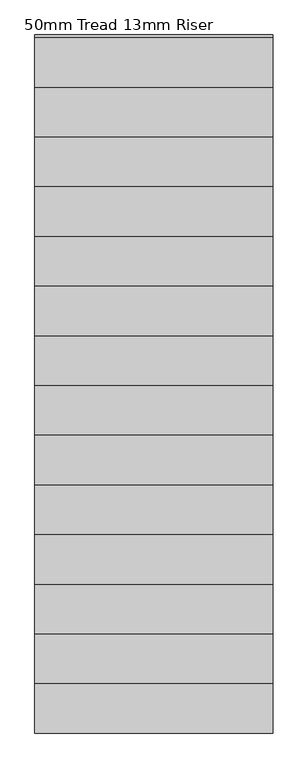
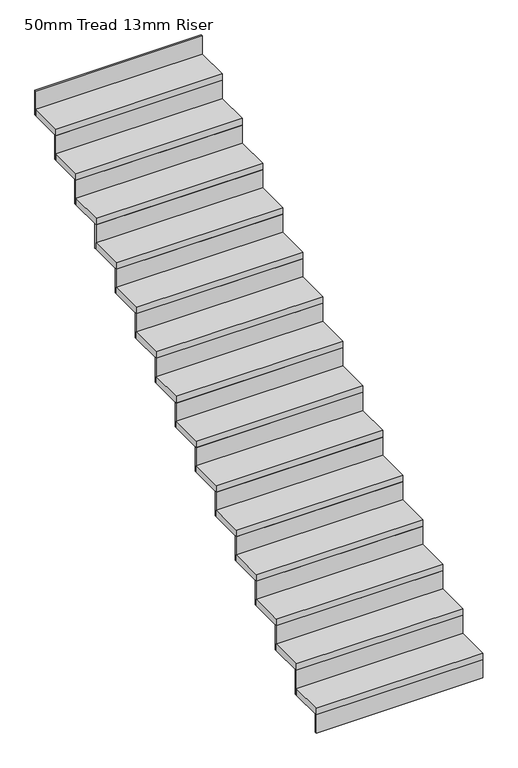
"""IFC4 building model written with IfcOpenShell, lengths in millimetres: stair flight geometry, 50mm Tread 13mm Riser."""

import ifcopenshell
import ifcopenshell.guid

model = None  # the IFC model being written
_history = None  # IfcOwnerHistory: only IFC2X3 demands one
_inside = {}  # id of a spatial element -> (the spatial element, [elements in it])
_under = {}  # id of a project, library or spatial element -> (it, [spatial elements below it])
_declared = {}  # id of a project -> (the project, [libraries it declares])
_typed = {}  # id of a type object -> (the type object, [elements of that type])
_made_of = {}  # id of a material, layer set ... -> (it, [elements and type objects made of it])


def new_model(schema):
    """Start an empty IFC model of exactly this schema.

    Asked for "IFC4X3", IfcOpenShell would pick the latest addendum, in which some entities
    have other attributes; the version numbers below select the first issue.
    IFC2X3 requires an IfcOwnerHistory on every rooted entity: one is made here for all.
    """
    global model, _history
    if schema == "IFC4X3":
        model = ifcopenshell.file(schema_version=(4, 3, 0, 0))
    else:
        model = ifcopenshell.file(schema=schema)
    _inside.clear()
    _under.clear()
    _declared.clear()
    _typed.clear()
    _made_of.clear()
    _history = None
    if model.schema == "IFC2X3":
        org = make("IfcOrganization", Name="unknown")
        user = make(
            "IfcPersonAndOrganization",
            ThePerson=make("IfcPerson", FamilyName="unknown"),
            TheOrganization=org,
        )
        app = make(
            "IfcApplication",
            ApplicationDeveloper=org,
            Version="unknown",
            ApplicationFullName="unknown",
            ApplicationIdentifier="unknown",
        )
        _history = make(
            "IfcOwnerHistory",
            OwningUser=user,
            OwningApplication=app,
            ChangeAction="ADDED",
            CreationDate=0,
        )
    return model


def make(cls, **values):
    """One entity of the class cls with the attributes given. An attribute that is None is left unset."""
    return model.create_entity(
        cls, **{name: value for name, value in values.items() if value is not None}
    )


def rooted(cls, **values):
    """An entity with a GlobalId (a new one), such as an element, a storey or a relation."""
    return make(cls, GlobalId=ifcopenshell.guid.new(), OwnerHistory=_history, **values)


def si_unit(unit_type, name, prefix=None):
    """IfcSIUnit, for example si_unit("LENGTHUNIT", "METRE", prefix="MILLI")."""
    return make("IfcSIUnit", UnitType=unit_type, Prefix=prefix, Name=name)


def assignment(units):
    """IfcUnitAssignment: the units of a project."""
    return None if units is None else make("IfcUnitAssignment", Units=units)


def point(xyz):
    """IfcCartesianPoint."""
    return None if xyz is None else make("IfcCartesianPoint", Coordinates=xyz)


def direction(xyz):
    """IfcDirection."""
    return None if xyz is None else make("IfcDirection", DirectionRatios=xyz)


def frame(location, z_axis=None, x_axis=None):
    """IfcAxis2Placement3D, a coordinate frame: its origin and axes. An axis left out is left unset."""
    return make(
        "IfcAxis2Placement3D",
        Location=point(location),
        Axis=direction(z_axis),
        RefDirection=direction(x_axis),
    )


def origin():
    """The frame at (0, 0, 0) with its axes left unset."""
    return frame((0.0, 0.0, 0.0))


def origin_with_axes():
    """The frame at (0, 0, 0) with the z axis (0, 0, 1) and the x axis (1, 0, 0) written out."""
    return frame((0.0, 0.0, 0.0), z_axis=(0.0, 0.0, 1.0), x_axis=(1.0, 0.0, 0.0))


def place(relative_to, where):
    """IfcLocalPlacement: puts the frame where relative to a parent placement (None: the world)."""
    return make(
        "IfcLocalPlacement", PlacementRelTo=relative_to, RelativePlacement=where
    )


def context(
    kind, dimensions, precision=None, world=None, true_north=None, identifier=None
):
    """IfcGeometricRepresentationContext, for example the 3D "Model" context."""
    return make(
        "IfcGeometricRepresentationContext",
        ContextIdentifier=identifier,
        ContextType=kind,
        CoordinateSpaceDimension=dimensions,
        Precision=precision,
        WorldCoordinateSystem=world,
        TrueNorth=true_north,
    )


def project(units=None, contexts=None):
    """IfcProject with its units and contexts."""
    return rooted(
        "IfcProject",
        Name="project",
        RepresentationContexts=contexts,
        UnitsInContext=assignment(units),
    )


def spatial(cls, under=None, at=None, **own):
    """A site, building, storey or space (cls), placed at a placement, below another one or the project."""
    s = rooted(cls, ObjectPlacement=at, **own)
    if under is not None:
        _under.setdefault(under.id(), (under, []))[1].append(s)
    return s


def polyline(points):
    """IfcPolyline through the points."""
    return make("IfcPolyline", Points=[point(p) for p in points])


def outline(outer, holes=None, kind="AREA"):
    """IfcArbitraryClosedProfileDef: a profile drawn as a closed curve; with holes, ...WithVoids."""
    if holes is None:
        return make("IfcArbitraryClosedProfileDef", ProfileType=kind, OuterCurve=outer)
    return make(
        "IfcArbitraryProfileDefWithVoids",
        ProfileType=kind,
        OuterCurve=outer,
        InnerCurves=holes,
    )


def extrude(swept, where, along, depth):
    """IfcExtrudedAreaSolid: the profile swept, set in the frame where, extruded along a direction by depth."""
    return make(
        "IfcExtrudedAreaSolid",
        SweptArea=swept,
        Position=where,
        ExtrudedDirection=direction(along),
        Depth=depth,
    )


def shape(context_of_items, identifier, shape_type, items):
    """IfcShapeRepresentation: the items that make up one representation, for example the "Body"."""
    return make(
        "IfcShapeRepresentation",
        ContextOfItems=context_of_items,
        RepresentationIdentifier=identifier,
        RepresentationType=shape_type,
        Items=items,
    )


def source(mapping_origin, context_of_items, identifier, shape_type, items):
    """IfcRepresentationMap: a shape defined once, which mapped items show again and again."""
    return make(
        "IfcRepresentationMap",
        MappingOrigin=mapping_origin,
        MappedRepresentation=shape(context_of_items, identifier, shape_type, items),
    )


def transform(
    local_origin,
    x_axis=None,
    y_axis=None,
    z_axis=None,
    scale=None,
    scale2=None,
    scale3=None,
    uniform=True,
):
    """IfcCartesianTransformationOperator3D, or its non-uniform kind. x_axis, y_axis, z_axis: its Axis1, 2, 3."""
    if uniform:
        return make(
            "IfcCartesianTransformationOperator3D",
            Axis1=direction(x_axis),
            Axis2=direction(y_axis),
            LocalOrigin=point(local_origin),
            Scale=scale,
            Axis3=direction(z_axis),
        )
    return make(
        "IfcCartesianTransformationOperator3DnonUniform",
        Axis1=direction(x_axis),
        Axis2=direction(y_axis),
        LocalOrigin=point(local_origin),
        Scale=scale,
        Axis3=direction(z_axis),
        Scale2=scale2,
        Scale3=scale3,
    )


def mapped(mapping_source, mapping_target):
    """IfcMappedItem: shows the shape of a source again, moved by a transform."""
    return make(
        "IfcMappedItem", MappingSource=mapping_source, MappingTarget=mapping_target
    )


def made_of(thing, what):
    """Note that an element or type object is made of a material, layer set ...; save() writes the relation."""
    if what is not None:
        _made_of.setdefault(what.id(), (what, []))[1].append(thing)
    return thing


def element(
    cls,
    number,
    at=None,
    inside=None,
    cuts=None,
    type_object=None,
    material=None,
    context=None,
    identifier="Body",
    shape_type=None,
    held_by="IfcProductDefinitionShape",
    body=None,
    shapes=None,
    **own,
):
    """One element of the class cls, such as IfcWall. Its Tag is "e" and its number.

    at: its placement. inside: the storey or other place that contains it. cuts: it is an
    opening in that element (IfcRelVoidsElement). A single representation is given by context,
    identifier, shape_type and body (its items); several are given by shapes. held_by: the class
    of the entity that holds the representations. save() writes the other relations.
    """
    e = rooted(cls, Tag="e%d" % number, ObjectPlacement=at, **own)
    if body is not None:
        shapes = [shape(context, identifier, shape_type, body)]
    if shapes is not None:
        e.Representation = make(held_by, Representations=shapes)
    if inside is not None:
        _inside.setdefault(inside.id(), (inside, []))[1].append(e)
    if cuts is not None:
        rooted(
            "IfcRelVoidsElement", RelatingBuildingElement=cuts, RelatedOpeningElement=e
        )
    if type_object is not None:
        _typed.setdefault(type_object.id(), (type_object, []))[1].append(e)
    return made_of(e, material)


def aggregate(whole, parts):
    """IfcRelAggregates: a whole, such as a stair, and the parts it consists of."""
    return rooted("IfcRelAggregates", RelatingObject=whole, RelatedObjects=parts)


def save(model, path):
    """Write the relations noted so far, then the file.

    IfcRelAggregates (storeys below a building ...), IfcRelContainedInSpatialStructure (elements
    in a storey), IfcRelDefinesByType, IfcRelAssociatesMaterial and IfcRelDeclares: one each for
    every whole, place, type object, material and project.
    """
    for whole, parts in _under.values():
        aggregate(whole, parts)
    for where, things in _inside.values():
        rooted(
            "IfcRelContainedInSpatialStructure",
            RelatedElements=things,
            RelatingStructure=where,
        )
    for kind, things in _typed.values():
        rooted("IfcRelDefinesByType", RelatedObjects=things, RelatingType=kind)
    for what, things in _made_of.values():
        rooted("IfcRelAssociatesMaterial", RelatedObjects=things, RelatingMaterial=what)
    for by, libraries in _declared.values():
        rooted("IfcRelDeclares", RelatingContext=by, RelatedDefinitions=libraries)
    model.write(path)


def stair_flight_50mm_tread_13mm_riser_bae693a1(model_context):
    return source(origin(), model_context, "Body", "SweptSolid", [
        extrude(outline(polyline([(-21418.8294643, -659.6550922), (-21418.8294643, -672.1550922), (-22618.8294643, -672.1550922), (-22618.8294643, -659.6550922), (-21418.8294643, -659.6550922)])), origin_with_axes(), (0.0, 0.0, 1.0), 137.9310345),
        extrude(outline(polyline([(-22618.8294643, -422.1550922), (-21418.8294643, -422.1550922), (-21418.8294643, -672.1550922), (-22618.8294643, -672.1550922), (-22618.8294643, -422.1550922)])), frame((0.0, 0.0, 137.9310345), z_axis=(0.0, 0.0, 1.0), x_axis=(1.0, 0.0, 0.0)), (0.0, 0.0, 1.0), 50.0),
        extrude(outline(polyline([(-21418.8294643, -409.6550922), (-21418.8294643, -422.1550922), (-22618.8294643, -422.1550922), (-22618.8294643, -409.6550922), (-21418.8294643, -409.6550922)])), frame((0.0, 0.0, 137.9310345), z_axis=(0.0, 0.0, 1.0), x_axis=(1.0, 0.0, 0.0)), (0.0, 0.0, 1.0), 187.9310345),
        extrude(outline(polyline([(-22618.8294643, -172.1550922), (-21418.8294643, -172.1550922), (-21418.8294643, -422.1550922), (-22618.8294643, -422.1550922), (-22618.8294643, -172.1550922)])), frame((0.0, 0.0, 325.862069), z_axis=(0.0, 0.0, 1.0), x_axis=(1.0, 0.0, 0.0)), (0.0, 0.0, 1.0), 50.0),
        extrude(outline(polyline([(-21418.8294643, -159.6550922), (-21418.8294643, -172.1550922), (-22618.8294643, -172.1550922), (-22618.8294643, -159.6550922), (-21418.8294643, -159.6550922)])), frame((0.0, 0.0, 325.862069), z_axis=(0.0, 0.0, 1.0), x_axis=(1.0, 0.0, 0.0)), (0.0, 0.0, 1.0), 187.9310345),
        extrude(outline(polyline([(-22618.8294643, 77.8449078), (-21418.8294643, 77.8449078), (-21418.8294643, -172.1550922), (-22618.8294643, -172.1550922), (-22618.8294643, 77.8449078)])), frame((0.0, 0.0, 513.7931034), z_axis=(0.0, 0.0, 1.0), x_axis=(1.0, 0.0, 0.0)), (0.0, 0.0, 1.0), 50.0),
        extrude(outline(polyline([(-21418.8294643, 90.3449078), (-21418.8294643, 77.8449078), (-22618.8294643, 77.8449078), (-22618.8294643, 90.3449078), (-21418.8294643, 90.3449078)])), frame((0.0, 0.0, 513.7931034), z_axis=(0.0, 0.0, 1.0), x_axis=(1.0, 0.0, 0.0)), (0.0, 0.0, 1.0), 187.9310345),
        extrude(outline(polyline([(-22618.8294643, 327.8449078), (-21418.8294643, 327.8449078), (-21418.8294643, 77.8449078), (-22618.8294643, 77.8449078), (-22618.8294643, 327.8449078)])), frame((0.0, 0.0, 701.7241379), z_axis=(0.0, 0.0, 1.0), x_axis=(1.0, 0.0, 0.0)), (0.0, 0.0, 1.0), 50.0),
        extrude(outline(polyline([(-21418.8294643, 340.3449078), (-21418.8294643, 327.8449078), (-22618.8294643, 327.8449078), (-22618.8294643, 340.3449078), (-21418.8294643, 340.3449078)])), frame((0.0, 0.0, 701.7241379), z_axis=(0.0, 0.0, 1.0), x_axis=(1.0, 0.0, 0.0)), (0.0, 0.0, 1.0), 187.9310345),
        extrude(outline(polyline([(-22618.8294643, 577.8449078), (-21418.8294643, 577.8449078), (-21418.8294643, 327.8449078), (-22618.8294643, 327.8449078), (-22618.8294643, 577.8449078)])), frame((0.0, 0.0, 889.6551724), z_axis=(0.0, 0.0, 1.0), x_axis=(1.0, 0.0, 0.0)), (0.0, 0.0, 1.0), 50.0),
        extrude(outline(polyline([(-21418.8294643, 590.3449078), (-21418.8294643, 577.8449078), (-22618.8294643, 577.8449078), (-22618.8294643, 590.3449078), (-21418.8294643, 590.3449078)])), frame((0.0, 0.0, 889.6551724), z_axis=(0.0, 0.0, 1.0), x_axis=(1.0, 0.0, 0.0)), (0.0, 0.0, 1.0), 187.9310345),
        extrude(outline(polyline([(-22618.8294643, 827.8449078), (-21418.8294643, 827.8449078), (-21418.8294643, 577.8449078), (-22618.8294643, 577.8449078), (-22618.8294643, 827.8449078)])), frame((0.0, 0.0, 1077.5862069), z_axis=(0.0, 0.0, 1.0), x_axis=(1.0, 0.0, 0.0)), (0.0, 0.0, 1.0), 50.0),
        extrude(outline(polyline([(-21418.8294643, 840.3449078), (-21418.8294643, 827.8449078), (-22618.8294643, 827.8449078), (-22618.8294643, 840.3449078), (-21418.8294643, 840.3449078)])), frame((0.0, 0.0, 1077.5862069), z_axis=(0.0, 0.0, 1.0), x_axis=(1.0, 0.0, 0.0)), (0.0, 0.0, 1.0), 187.9310345),
        extrude(outline(polyline([(-22618.8294643, 1077.8449078), (-21418.8294643, 1077.8449078), (-21418.8294643, 827.8449078), (-22618.8294643, 827.8449078), (-22618.8294643, 1077.8449078)])), frame((0.0, 0.0, 1265.5172414), z_axis=(0.0, 0.0, 1.0), x_axis=(1.0, 0.0, 0.0)), (0.0, 0.0, 1.0), 50.0),
        extrude(outline(polyline([(-21418.8294643, 1090.3449078), (-21418.8294643, 1077.8449078), (-22618.8294643, 1077.8449078), (-22618.8294643, 1090.3449078), (-21418.8294643, 1090.3449078)])), frame((0.0, 0.0, 1265.5172414), z_axis=(0.0, 0.0, 1.0), x_axis=(1.0, 0.0, 0.0)), (0.0, 0.0, 1.0), 187.9310345),
        extrude(outline(polyline([(-22618.8294643, 1327.8449078), (-21418.8294643, 1327.8449078), (-21418.8294643, 1077.8449078), (-22618.8294643, 1077.8449078), (-22618.8294643, 1327.8449078)])), frame((0.0, 0.0, 1453.4482759), z_axis=(0.0, 0.0, 1.0), x_axis=(1.0, 0.0, 0.0)), (0.0, 0.0, 1.0), 50.0),
        extrude(outline(polyline([(-21418.8294643, 1340.3449078), (-21418.8294643, 1327.8449078), (-22618.8294643, 1327.8449078), (-22618.8294643, 1340.3449078), (-21418.8294643, 1340.3449078)])), frame((0.0, 0.0, 1453.4482759), z_axis=(0.0, 0.0, 1.0), x_axis=(1.0, 0.0, 0.0)), (0.0, 0.0, 1.0), 187.9310345),
        extrude(outline(polyline([(-22618.8294643, 1577.8449078), (-21418.8294643, 1577.8449078), (-21418.8294643, 1327.8449078), (-22618.8294643, 1327.8449078), (-22618.8294643, 1577.8449078)])), frame((0.0, 0.0, 1641.3793103), z_axis=(0.0, 0.0, 1.0), x_axis=(1.0, 0.0, 0.0)), (0.0, 0.0, 1.0), 50.0),
        extrude(outline(polyline([(-21418.8294643, 1590.3449078), (-21418.8294643, 1577.8449078), (-22618.8294643, 1577.8449078), (-22618.8294643, 1590.3449078), (-21418.8294643, 1590.3449078)])), frame((0.0, 0.0, 1641.3793103), z_axis=(0.0, 0.0, 1.0), x_axis=(1.0, 0.0, 0.0)), (0.0, 0.0, 1.0), 187.9310345),
        extrude(outline(polyline([(-22618.8294643, 1827.8449078), (-21418.8294643, 1827.8449078), (-21418.8294643, 1577.8449078), (-22618.8294643, 1577.8449078), (-22618.8294643, 1827.8449078)])), frame((0.0, 0.0, 1829.3103448), z_axis=(0.0, 0.0, 1.0), x_axis=(1.0, 0.0, 0.0)), (0.0, 0.0, 1.0), 50.0),
        extrude(outline(polyline([(-21418.8294643, 1840.3449078), (-21418.8294643, 1827.8449078), (-22618.8294643, 1827.8449078), (-22618.8294643, 1840.3449078), (-21418.8294643, 1840.3449078)])), frame((0.0, 0.0, 1829.3103448), z_axis=(0.0, 0.0, 1.0), x_axis=(1.0, 0.0, 0.0)), (0.0, 0.0, 1.0), 187.9310345),
        extrude(outline(polyline([(-22618.8294643, 2077.8449078), (-21418.8294643, 2077.8449078), (-21418.8294643, 1827.8449078), (-22618.8294643, 1827.8449078), (-22618.8294643, 2077.8449078)])), frame((0.0, 0.0, 2017.2413793), z_axis=(0.0, 0.0, 1.0), x_axis=(1.0, 0.0, 0.0)), (0.0, 0.0, 1.0), 50.0),
        extrude(outline(polyline([(-21418.8294643, 2090.3449078), (-21418.8294643, 2077.8449078), (-22618.8294643, 2077.8449078), (-22618.8294643, 2090.3449078), (-21418.8294643, 2090.3449078)])), frame((0.0, 0.0, 2017.2413793), z_axis=(0.0, 0.0, 1.0), x_axis=(1.0, 0.0, 0.0)), (0.0, 0.0, 1.0), 187.9310345),
        extrude(outline(polyline([(-22618.8294643, 2327.8449078), (-21418.8294643, 2327.8449078), (-21418.8294643, 2077.8449078), (-22618.8294643, 2077.8449078), (-22618.8294643, 2327.8449078)])), frame((0.0, 0.0, 2205.1724138), z_axis=(0.0, 0.0, 1.0), x_axis=(1.0, 0.0, 0.0)), (0.0, 0.0, 1.0), 50.0),
        extrude(outline(polyline([(-21418.8294643, 2340.3449078), (-21418.8294643, 2327.8449078), (-22618.8294643, 2327.8449078), (-22618.8294643, 2340.3449078), (-21418.8294643, 2340.3449078)])), frame((0.0, 0.0, 2205.1724138), z_axis=(0.0, 0.0, 1.0), x_axis=(1.0, 0.0, 0.0)), (0.0, 0.0, 1.0), 187.9310345),
        extrude(outline(polyline([(-22618.8294643, 2577.8449078), (-21418.8294643, 2577.8449078), (-21418.8294643, 2327.8449078), (-22618.8294643, 2327.8449078), (-22618.8294643, 2577.8449078)])), frame((0.0, 0.0, 2393.1034483), z_axis=(0.0, 0.0, 1.0), x_axis=(1.0, 0.0, 0.0)), (0.0, 0.0, 1.0), 50.0),
        extrude(outline(polyline([(-21418.8294643, 2590.3449078), (-21418.8294643, 2577.8449078), (-22618.8294643, 2577.8449078), (-22618.8294643, 2590.3449078), (-21418.8294643, 2590.3449078)])), frame((0.0, 0.0, 2393.1034483), z_axis=(0.0, 0.0, 1.0), x_axis=(1.0, 0.0, 0.0)), (0.0, 0.0, 1.0), 187.9310345),
        extrude(outline(polyline([(-21418.8294643, 2840.3449078), (-21418.8294643, 2827.8449078), (-22618.8294643, 2827.8449078), (-22618.8294643, 2840.3449078), (-21418.8294643, 2840.3449078)])), frame((0.0, 0.0, 2581.0344828), z_axis=(0.0, 0.0, 1.0), x_axis=(1.0, 0.0, 0.0)), (0.0, 0.0, 1.0), 187.9310345),
        extrude(outline(polyline([(-22618.8294643, 2827.8449078), (-21418.8294643, 2827.8449078), (-21418.8294643, 2577.8449078), (-22618.8294643, 2577.8449078), (-22618.8294643, 2827.8449078)])), frame((0.0, 0.0, 2581.0344828), z_axis=(0.0, 0.0, 1.0), x_axis=(1.0, 0.0, 0.0)), (0.0, 0.0, 1.0), 50.0),
    ])


if __name__ == "__main__":
    model = new_model("IFC4")
    model_context = context("Model", 3, world=origin())
    ifc_project = project(units=[si_unit("LENGTHUNIT", "METRE", prefix="MILLI")], contexts=[model_context])
    site = spatial("IfcSite", under=ifc_project)
    building = spatial("IfcBuilding", under=site)
    placement = place(None, origin())
    stair_flight_50mm_tread_13mm_riser_shape = stair_flight_50mm_tread_13mm_riser_bae693a1(model_context)
    element("IfcStairFlight", 1, ObjectType="50mm Tread 13mm Riser", at=placement, inside=building, context=model_context, shape_type="MappedRepresentation", body=[
        mapped(stair_flight_50mm_tread_13mm_riser_shape, transform((0.0, 0.0, 0.0), x_axis=(1.0, 0.0, 0.0), y_axis=(0.0, 1.0, 0.0), z_axis=(0.0, 0.0, 1.0))),
    ])
    save(model, "model.ifc")
